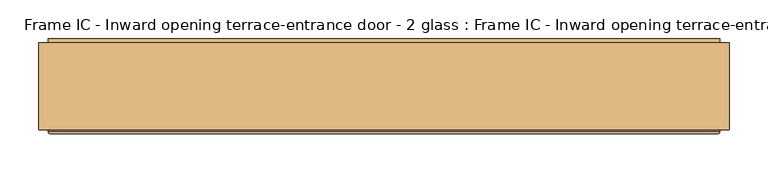
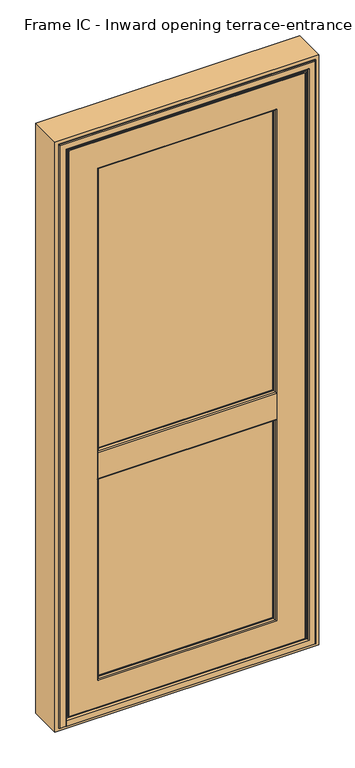
"""IFC4 building model written with IfcOpenShell, lengths in millimetres: door geometry, Frame IC - Inward opening terrace-entrance door - 2 glass : Frame IC - Inward opening terrace-entrance door - 2 glass."""

from ifc_helpers import new_model, si_unit, point, frame, frame_2d, origin, place, context, project, spatial, polyline, circle_curve, ellipse_curve, trimmed, segment, composite_curve, outline, extrude, source, transform, mapped, element, save
from ifc_brep_helpers import plane_surface, cylinder_surface, revolved_surface, advanced_brep


def frame_ic_inward_opening_terrace_entrance_door_2_glass_frame_56c10728(model_context):
    return source(origin(), model_context, "Body", "SolidModel", [
        extrude(outline(composite_curve([segment(trimmed(circle_curve(frame_2d((78.2055023, 946.7548663)), 3.0), [point((75.2055023, 946.7548663))], [point((77.5817672, 949.6893091))], False, "CARTESIAN"), True, "CONTINUOUS"), segment(polyline([(77.5817672, 949.6893091), (85.9975906, 951.4781476)]), True, "CONTINUOUS"), segment(trimmed(circle_curve(frame_2d((86.2055023, 950.5)), 1.0), [point((85.9975906, 951.4781476))], [point((87.2055023, 950.5))], False, "CARTESIAN"), True, "CONTINUOUS"), segment(polyline([(87.2055023, 950.5), (87.2055023, 951.5), (90.2055023, 951.5), (90.2055023, 933.1316463), (138.2055023, 927.2379874), (138.2055023, 951.5), (139.5503376, 951.5), (149.7055023, 948.3952546), (149.7055023, 941.4641016)]), True, "CONTINUOUS"), segment(trimmed(circle_curve(frame_2d((148.2055023, 941.4641016)), 1.5), [point((149.7055023, 941.4641016))], [point((148.9555023, 940.1650635))], False, "CARTESIAN"), True, "CONTINUOUS"), segment(trimmed(circle_curve(frame_2d((150.2055023, 938.0)), 2.5), [point((148.9555023, 940.1650635))], [point((148.9555023, 935.8349365))], True, "CARTESIAN"), True, "CONTINUOUS"), segment(trimmed(circle_curve(frame_2d((148.2055023, 934.5358984)), 1.5), [point((148.9555023, 935.8349365))], [point((149.7055023, 934.5358984))], False, "CARTESIAN"), True, "CONTINUOUS"), segment(polyline([(149.7055023, 934.5358984), (149.7055023, 865.4641016)]), True, "CONTINUOUS"), segment(trimmed(circle_curve(frame_2d((148.2055023, 865.4641016)), 1.5), [point((149.7055023, 865.4641016))], [point((148.9555023, 864.1650635))], False, "CARTESIAN"), True, "CONTINUOUS"), segment(trimmed(circle_curve(frame_2d((150.2055023, 862.0)), 2.5), [point((148.9555023, 864.1650635))], [point((148.9555023, 859.8349365))], True, "CARTESIAN"), True, "CONTINUOUS"), segment(trimmed(circle_curve(frame_2d((148.2055023, 858.5358984)), 1.5), [point((148.9555023, 859.8349365))], [point((149.7055023, 858.5358984))], False, "CARTESIAN"), True, "CONTINUOUS"), segment(polyline([(149.7055023, 858.5358984), (149.7055023, 851.6047454), (139.5503376, 848.5), (138.2055023, 848.5), (138.2055023, 872.7620126), (90.2055023, 866.8683537), (90.2055023, 848.5), (87.2055023, 848.5), (87.2055023, 849.5)]), True, "CONTINUOUS"), segment(trimmed(circle_curve(frame_2d((86.2055023, 849.5)), 1.0), [point((87.2055023, 849.5))], [point((85.9975906, 848.5218524))], False, "CARTESIAN"), True, "CONTINUOUS"), segment(polyline([(85.9975906, 848.5218524), (77.5817672, 850.3106909)]), True, "CONTINUOUS"), segment(trimmed(circle_curve(frame_2d((78.2055023, 853.2451337)), 3.0), [point((77.5817672, 850.3106909))], [point((75.2055023, 853.2451337))], False, "CARTESIAN"), True, "CONTINUOUS"), segment(polyline([(75.2055023, 853.2451337), (75.2055023, 946.7548663)]), True, "CONTINUOUS")], self_intersect=False)), frame((-301.5, 0.0, 0.0), z_axis=(1.0, 0.0, 0.0), x_axis=(0.0, 1.0, 0.0)), (0.0, 0.0, 1.0), 603.0),
        advanced_brep(
        [(296.9926597, 139.5932909, 1952.9926597), (300.2949184, 150.3944925, 1956.2949184), (300.2949184, 150.3944925, 137.7050816), (296.9926597, 139.5932909, 141.0073403), (296.9926597, 138.3944925, 141.0073403), (296.9926597, 138.3944925, 1952.9926597), (315.4090274, 90.4055023, 1971.4090274), (321.3013344, 138.3944925, 1977.3013344), (321.3013344, 138.3944925, 116.6986656), (315.4090274, 90.4055023, 122.5909726), (-296.9926597, 139.5932909, 141.0073403), (-300.2949184, 150.3944925, 137.7050816), (-300.2949184, 150.3944925, 1956.2949184), (-296.9926597, 139.5932909, 1952.9926597), (-296.9926597, 138.3944925, 1952.9926597), (-296.9926597, 138.3944925, 141.0073403), (-315.4090274, 90.4055023, 122.5909726), (-321.3013344, 138.3944925, 116.6986656), (-321.3013344, 138.3944925, 1977.3013344), (-315.4090274, 90.4055023, 1971.4090274), (297.0406737, 87.2055023, 1953.0406737), (297.0406737, 90.4055023, 1953.0406737), (297.0406737, 90.4055023, 140.9593263), (297.0406737, 87.2055023, 140.9593263), (298.8106909, 77.7817672, 1954.8106909), (297.0625261, 85.9975906, 1953.0625261), (297.0625261, 85.9975906, 140.9374739), (298.8106909, 77.7817672, 139.1893091), (301.7451337, 75.4055023, 136.2548663), (301.7451337, 75.4055023, 1957.7451337), (-297.0406737, 87.2055023, 140.9593263), (-297.0406737, 90.4055023, 140.9593263), (-297.0406737, 90.4055023, 1953.0406737), (-297.0406737, 87.2055023, 1953.0406737), (-298.8106909, 77.7817672, 139.1893091), (-297.0625261, 85.9975906, 140.9374739), (-297.0625261, 85.9975906, 1953.0625261), (-298.8106909, 77.7817672, 1954.8106909), (-301.7451337, 75.4055023, 1957.7451337), (-301.7451337, 75.4055023, 136.2548663), (-399.9121488, 76.8192542, 38.0878512), (-398.0, 75.4055023, 40.0), (-398.0, 75.4055023, 2054.0), (-399.9121488, 76.8192542, 2055.9121488), (-399.5001156, 79.7926158, 2055.5001156), (-399.5001156, 79.7926158, 38.4998844), (-375.3208306, 138.4055023, 2031.3208306), (-375.3208306, 138.4055023, 62.6695909), (-391.0, 120.3834811, 47.0), (-391.0, 120.3834811, 2047.0), (398.0, 75.4055023, 2054.0), (399.9121488, 76.8192542, 2055.9121488), (399.5001156, 79.7926158, 2055.5001156), (391.0, 120.3834811, 2047.0), (375.3208306, 138.4055023, 2031.3208306), (-375.3208306, 150.3944925, 2031.3208306), (375.3208306, 150.3944925, 2031.3208306), (398.0, 75.4055023, 40.0), (399.9121488, 76.8192542, 38.0878512), (399.5001156, 79.7926158, 38.4998844), (375.3208306, 138.4055023, 62.6695909), (391.0, 120.3834811, 47.0), (-404.5001156, 81.2102522, 33.4998844), (-404.5001156, 79.7926158, 33.4998844), (-404.5001156, 79.7926158, 2060.5001156), (-404.5001156, 81.2102522, 2060.5001156), (-399.203249, 81.2102522, 38.796751), (-399.203249, 81.2102522, 2055.203249), (404.5001156, 79.7926158, 2060.5001156), (404.5001156, 81.2102522, 2060.5001156), (399.203249, 81.2102522, 2055.203249), (404.5001156, 79.7926158, 33.4998844), (404.5001156, 81.2102522, 33.4998844), (399.203249, 81.2102522, 38.796751), (-298.0406737, 87.2055023, 139.9593263), (298.0406737, 87.2055023, 139.9593263), (298.0406737, 87.2055023, 1954.0406737), (-298.0406737, 87.2055023, 1954.0406737), (-375.3208306, 123.9638323, 50.1149077), (375.3208306, 123.9638323, 50.1149077), (-307.2579784, 150.3944925, 130.7420216), (-307.2579784, 150.3944925, 1963.2579784), (307.2579784, 150.3944925, 1963.2579784), (307.2579784, 150.3944925, 130.7420216), (375.3208306, 160.3944925, 60.4377015), (375.3208306, 159.9680695, 61.2568531), (-375.3208306, 159.9680695, 61.2568531), (-375.3208306, 160.3944925, 60.4377015), (375.3208306, 160.3944925, 55.002476), (-375.3208306, 160.3944925, 55.002476), (375.3208306, 162.1944925, 56.9924509), (-375.3208306, 162.1944925, 56.9924509), (375.3208306, 162.1944925, 60.4377015), (-375.3208306, 162.1944925, 60.4377015), (375.3208306, 161.0005083, 62.731326), (-375.3208306, 161.0005083, 62.731326), (375.3208306, 152.6209154, 69.1983724), (-375.3208306, 152.6209154, 69.1983724), (375.3208306, 152.1944925, 70.017524), (-375.3208306, 152.1944925, 70.017524), (375.3208306, 152.1944925, 83.002476), (-375.3208306, 152.1944925, 83.002476), (375.3208306, 150.6944925, 84.502476), (-375.3208306, 150.6944925, 84.502476), (-375.3208306, 150.3944925, 84.502476), (375.3208306, 150.3944925, 84.502476), (375.3208306, 152.5151289, 50.1149077), (-375.3208306, 152.5151289, 50.1149077), (375.3208306, 152.5151289, 46.1106378), (-375.3208306, 152.5151289, 46.1106378), (375.3208306, 153.56673, 46.1106378), (-375.3208306, 153.56673, 46.1106378), (375.3208306, 153.56673, 50.1149077), (-375.3208306, 153.56673, 50.1149077), (375.3208306, 155.7944925, 50.1149077), (-375.3208306, 155.7944925, 50.1149077), (375.3208306, 156.7944925, 51.1149077), (-375.3208306, 156.7944925, 51.1149077), (375.3208306, 156.7944925, 63.7060974), (-375.3208306, 156.7944925, 63.7060974), (312.7057372, 149.6555023, 1968.7057372), (313.8233689, 150.3944925, 1969.8233689), (313.8233689, 150.3944925, 124.1766311), (312.7057372, 149.6555023, 125.2942628), (308.3756102, 149.6555023, 129.6243898), (308.3756102, 149.6555023, 1964.3756102), (-313.8233689, 150.3944925, 124.1766311), (-312.7057372, 149.6555023, 125.2942628), (-308.3756102, 149.6555023, 129.6243898), (-313.8233689, 150.3944925, 1969.8233689), (-312.7057372, 149.6555023, 1968.7057372), (-308.3756102, 149.6555023, 1964.3756102)],
        [
            (0, 1),
            (1, 2),
            (2, 3),
            (3, 0),
            (3, 4),
            (4, 5),
            (5, 0),
            (6, 7),
            (7, 8),
            (8, 9),
            (9, 6),
            (10, 11),
            (11, 12),
            (12, 13),
            (13, 10),
            (13, 14),
            (14, 15),
            (15, 10),
            (16, 17),
            (17, 18),
            (18, 19),
            (19, 16),
            (0, 13),
            (12, 1),
            (5, 14),
            (6, 19),
            (18, 7),
            (20, 21),
            (21, 22),
            (22, 23),
            (23, 20),
            (24, 25),
            (25, 26),
            (26, 27),
            (27, 24),
            (27, 28, ellipse_curve(frame((301.7451337, 78.4055023, 136.2548663), z_axis=(0.7071067811865475, 0.0, 0.7071067811865475), x_axis=(-0.7071067811865474, 0.0, 0.7071067811865476)), 4.2426407, 3.0)),
            (28, 29),
            (29, 24, ellipse_curve(frame((301.7451337, 78.4055023, 1957.7451337), z_axis=(0.7071067811865475, 0.0, -0.7071067811865475), x_axis=(0.7071067811865474, 0.0, 0.7071067811865476)), 4.2426407, 3.0)),
            (30, 31),
            (31, 32),
            (32, 33),
            (33, 30),
            (34, 35),
            (35, 36),
            (36, 37),
            (37, 34),
            (37, 38, ellipse_curve(frame((-301.7451337, 78.4055023, 1957.7451337), z_axis=(-0.7071067811865475, 0.0, -0.7071067811865475), x_axis=(0.7071067811865474, 0.0, -0.7071067811865476)), 4.2426407, 3.0)),
            (38, 39),
            (39, 34, ellipse_curve(frame((-301.7451337, 78.4055023, 136.2548663), z_axis=(-0.7071067811865475, 0.0, 0.7071067811865475), x_axis=(-0.7071067811865474, 0.0, -0.7071067811865476)), 4.2426407, 3.0)),
            (20, 33),
            (32, 21),
            (24, 37),
            (36, 25),
            (29, 38),
            (40, 41, ellipse_curve(frame((-398.0, 77.4055023, 40.0), z_axis=(-0.7071067811865475, 0.0, 0.7071067811865475), x_axis=(-0.7071067811865474, 0.0, -0.7071067811865476)), 2.8284271, 2.0)),
            (41, 42),
            (42, 43, ellipse_curve(frame((-398.0, 77.4055023, 2054.0), z_axis=(-0.7071067811865475, 0.0, -0.7071067811865475), x_axis=(0.7071067811865474, 0.0, -0.7071067811865476)), 2.8284271, 2.0)),
            (43, 40),
            (43, 44),
            (44, 45),
            (45, 40),
            (46, 47),
            (47, 48),
            (48, 49),
            (49, 46),
            (42, 50),
            (50, 51, ellipse_curve(frame((398.0, 77.4055023, 2054.0), z_axis=(-0.7071067811865475, 0.0, 0.7071067811865475), x_axis=(-0.7071067811865476, 0.0, -0.7071067811865474)), 2.8284271, 2.0)),
            (51, 43),
            (51, 52),
            (52, 44),
            (49, 53),
            (53, 54),
            (54, 46),
            (55, 46),
            (54, 56),
            (56, 55),
            (50, 57),
            (57, 58, ellipse_curve(frame((398.0, 77.4055023, 40.0), z_axis=(0.7071067811865475, 0.0, 0.7071067811865475), x_axis=(-0.7071067811865474, 0.0, 0.7071067811865476)), 2.8284271, 2.0)),
            (58, 51),
            (58, 59),
            (59, 52),
            (60, 54),
            (53, 61),
            (61, 60),
            (62, 63),
            (63, 64),
            (64, 65),
            (65, 62),
            (48, 66),
            (66, 67),
            (67, 49),
            (64, 68),
            (68, 69),
            (69, 65),
            (67, 70),
            (70, 53),
            (68, 71),
            (71, 72),
            (72, 69),
            (70, 73),
            (73, 61),
            (9, 16),
            (31, 22),
            (30, 23),
            (74, 75),
            (75, 76),
            (76, 77),
            (77, 74),
            (26, 35),
            (34, 27),
            (39, 28),
            (41, 57),
            (40, 58),
            (45, 59),
            (63, 71),
            (62, 72),
            (66, 73),
            (48, 61),
            (47, 78),
            (78, 79),
            (79, 60),
            (80, 81),
            (81, 82),
            (82, 83),
            (83, 80),
            (11, 2),
            (10, 3),
            (15, 4),
            (17, 8),
            (25, 76, ellipse_curve(frame((298.0406737, 86.2055023, 1954.0406737), z_axis=(0.7071067811865475, 0.0, -0.7071067811865475), x_axis=(0.7071067811865474, 0.0, 0.7071067811865476)), 1.4142136, 1.0)),
            (75, 26, ellipse_curve(frame((298.0406737, 86.2055023, 139.9593263), z_axis=(0.7071067811865475, 0.0, 0.7071067811865475), x_axis=(-0.7071067811865474, 0.0, 0.7071067811865476)), 1.4142136, 1.0)),
            (74, 35, ellipse_curve(frame((-298.0406737, 86.2055023, 139.9593263), z_axis=(0.7071067811865475, 0.0, -0.7071067811865475), x_axis=(0.7071067811865476, 0.0, 0.7071067811865474)), 1.4142136, 1.0)),
            (77, 36, ellipse_curve(frame((-298.0406737, 86.2055023, 1954.0406737), z_axis=(-0.7071067811865475, 0.0, -0.7071067811865475), x_axis=(0.7071067811865474, 0.0, -0.7071067811865476)), 1.4142136, 1.0)),
            (84, 85, circle_curve(frame((375.3208306, 159.3944925, 60.4377015), z_axis=(1.0, 0.0, 0.0), x_axis=(0.0, 1.0, 0.0)), 1.0)),
            (85, 86),
            (86, 87, circle_curve(frame((-375.3208306, 159.3944925, 60.4377015), z_axis=(-1.0, 0.0, 0.0), x_axis=(0.0, 1.0, 0.0)), 1.0)),
            (87, 84),
            (88, 84),
            (87, 89),
            (89, 88),
            (90, 88, circle_curve(frame((375.3208306, 162.3944925, 55.002476), z_axis=(-1.0, 0.0, 0.0), x_axis=(0.0, 1.0, 0.0)), 2.0)),
            (89, 91, circle_curve(frame((-375.3208306, 162.3944925, 55.002476), z_axis=(1.0, 0.0, 0.0), x_axis=(0.0, 1.0, 0.0)), 2.0)),
            (91, 90),
            (92, 90),
            (91, 93),
            (93, 92),
            (94, 92, circle_curve(frame((375.3208306, 159.3944925, 60.4377015), z_axis=(-1.0, 0.0, 0.0), x_axis=(0.0, 1.0, 0.0)), 2.8)),
            (93, 95, circle_curve(frame((-375.3208306, 159.3944925, 60.4377015), z_axis=(1.0, 0.0, 0.0), x_axis=(0.0, 1.0, 0.0)), 2.8)),
            (95, 94),
            (96, 94),
            (95, 97),
            (97, 96),
            (98, 96, circle_curve(frame((375.3208306, 153.1944925, 70.017524), z_axis=(1.0, 0.0, 0.0), x_axis=(0.0, 1.0, 0.0)), 1.0)),
            (97, 99, circle_curve(frame((-375.3208306, 153.1944925, 70.017524), z_axis=(-1.0, 0.0, 0.0), x_axis=(0.0, 1.0, 0.0)), 1.0)),
            (99, 98),
            (100, 98),
            (99, 101),
            (101, 100),
            (102, 100, circle_curve(frame((375.3208306, 150.6944925, 83.002476), z_axis=(-1.0, 0.0, 0.0), x_axis=(0.0, 1.0, 0.0)), 1.5)),
            (101, 103, circle_curve(frame((-375.3208306, 150.6944925, 83.002476), z_axis=(1.0, 0.0, 0.0), x_axis=(0.0, 1.0, 0.0)), 1.5)),
            (103, 102),
            (103, 104),
            (104, 105),
            (105, 102),
            (106, 79),
            (78, 107),
            (107, 106),
            (108, 106),
            (107, 109),
            (109, 108),
            (110, 108),
            (109, 111),
            (111, 110),
            (112, 110),
            (111, 113),
            (113, 112),
            (114, 112),
            (113, 115),
            (115, 114),
            (116, 114, circle_curve(frame((375.3208306, 155.7944925, 51.1149077), z_axis=(-1.0, 0.0, 0.0), x_axis=(0.0, 1.0, 0.0)), 1.0)),
            (115, 117, circle_curve(frame((-375.3208306, 155.7944925, 51.1149077), z_axis=(1.0, 0.0, 0.0), x_axis=(0.0, 1.0, 0.0)), 1.0)),
            (117, 116),
            (118, 116),
            (117, 119),
            (119, 118),
            (85, 118),
            (119, 86),
            (105, 56),
            (55, 104),
            (120, 121, ellipse_curve(frame((314.0047753, 148.9055023, 1970.0047753), z_axis=(0.7071067811865475, 0.0, -0.7071067811865475), x_axis=(0.7071067811865474, 0.0, 0.7071067811865476)), 2.1213203, 1.5)),
            (121, 122),
            (122, 123, ellipse_curve(frame((314.0047753, 148.9055023, 123.9952247), z_axis=(0.7071067811865475, 0.0, 0.7071067811865475), x_axis=(-0.7071067811865474, 0.0, 0.7071067811865476)), 2.1213203, 1.5)),
            (123, 120),
            (123, 124, ellipse_curve(frame((310.5406737, 150.9055023, 127.4593263), z_axis=(-0.7071067811865475, 0.0, -0.7071067811865475), x_axis=(0.7071067811865474, 0.0, -0.7071067811865476)), 3.5355339, 2.5)),
            (124, 125),
            (125, 120, ellipse_curve(frame((310.5406737, 150.9055023, 1966.5406737), z_axis=(-0.7071067811865475, 0.0, 0.7071067811865475), x_axis=(-0.7071067811865474, 0.0, -0.7071067811865476)), 3.5355339, 2.5)),
            (82, 125, ellipse_curve(frame((307.0765721, 148.9055023, 1963.0765721), z_axis=(0.7071067811865475, 0.0, -0.7071067811865475), x_axis=(0.7071067811865474, 0.0, 0.7071067811865476)), 2.1213203, 1.5)),
            (124, 83, ellipse_curve(frame((307.0765721, 148.9055023, 130.9234279), z_axis=(0.7071067811865475, 0.0, 0.7071067811865475), x_axis=(-0.7071067811865474, 0.0, 0.7071067811865476)), 2.1213203, 1.5)),
            (122, 126),
            (126, 127, ellipse_curve(frame((-314.0047753, 148.9055023, 123.9952247), z_axis=(0.7071067811865475, 0.0, -0.7071067811865475), x_axis=(0.7071067811865476, 0.0, 0.7071067811865474)), 2.1213203, 1.5)),
            (127, 123),
            (127, 128, ellipse_curve(frame((-310.5406737, 150.9055023, 127.4593263), z_axis=(-0.7071067811865475, 0.0, 0.7071067811865475), x_axis=(-0.7071067811865476, 0.0, -0.7071067811865474)), 3.5355339, 2.5)),
            (128, 124),
            (128, 80, ellipse_curve(frame((-307.0765721, 148.9055023, 130.9234279), z_axis=(0.7071067811865475, 0.0, -0.7071067811865475), x_axis=(0.7071067811865476, 0.0, 0.7071067811865474)), 2.1213203, 1.5)),
            (126, 129),
            (129, 130, ellipse_curve(frame((-314.0047753, 148.9055023, 1970.0047753), z_axis=(-0.7071067811865475, 0.0, -0.7071067811865475), x_axis=(0.7071067811865474, 0.0, -0.7071067811865476)), 2.1213203, 1.5)),
            (130, 127),
            (130, 131, ellipse_curve(frame((-310.5406737, 150.9055023, 1966.5406737), z_axis=(0.7071067811865475, 0.0, 0.7071067811865475), x_axis=(-0.7071067811865474, 0.0, 0.7071067811865476)), 3.5355339, 2.5)),
            (131, 128),
            (131, 81, ellipse_curve(frame((-307.0765721, 148.9055023, 1963.0765721), z_axis=(-0.7071067811865475, 0.0, -0.7071067811865475), x_axis=(0.7071067811865474, 0.0, -0.7071067811865476)), 2.1213203, 1.5)),
            (121, 129),
            (120, 130),
            (125, 131),
        ],
        [
            plane_surface(frame((300.2949184, 150.3944925, 1956.2949184), z_axis=(-0.9563047559629781, 0.2923717047229243, 0.0), x_axis=(0.0, 0.0, -1.0))),
            plane_surface(frame((296.9926597, 139.5932909, 1952.9926597), z_axis=(-1.0, 0.0, 0.0), x_axis=(0.0, 0.0, -1.0))),
            plane_surface(frame((321.3013344, 138.3944925, 1977.3013344), z_axis=(-0.9925461516413226, 0.12186934340514295, 0.0), x_axis=(0.0, 0.0, -1.0))),
            plane_surface(frame((-300.2949184, 150.3944925, 137.7050816), z_axis=(0.9563047559629781, 0.2923717047229243, 0.0), x_axis=(0.0, 0.0, 1.0))),
            plane_surface(frame((-296.9926597, 139.5932909, 141.0073403), z_axis=(1.0, 0.0, 0.0), x_axis=(0.0, 0.0, 1.0))),
            plane_surface(frame((-321.3013344, 138.3944925, 116.6986656), z_axis=(0.9925461516413226, 0.12186934340514295, 0.0), x_axis=(0.0, 0.0, 1.0))),
            plane_surface(frame((-300.2949184, 150.3944925, 1956.2949184), z_axis=(0.0, 0.2923717047229243, -0.9563047559629781), x_axis=(1.0, 0.0, 0.0))),
            plane_surface(frame((-296.9926597, 139.5932909, 1952.9926597), z_axis=(0.0, 0.0, -1.0), x_axis=(1.0, 0.0, 0.0))),
            plane_surface(frame((-321.3013344, 138.3944925, 1977.3013344), z_axis=(0.0, 0.12186934340514295, -0.9925461516413226), x_axis=(1.0, 0.0, 0.0))),
            plane_surface(frame((297.0406737, 90.4055023, 1953.0406737), z_axis=(-1.0, 0.0, 0.0), x_axis=(0.0, 0.0, -1.0))),
            plane_surface(frame((297.0625261, 85.9975906, 1953.0625261), z_axis=(-0.9781030866126861, -0.20812100316579396, 0.0), x_axis=(0.0, 0.0, -1.0))),
            cylinder_surface(frame((301.7451337, 78.4055023, 2047.0), z_axis=(0.0, 0.0, 1.0), x_axis=(0.0, -1.0, 0.0)), 3.0),
            plane_surface(frame((-297.0406737, 90.4055023, 140.9593263), z_axis=(1.0, 0.0, 0.0), x_axis=(0.0, 0.0, 1.0))),
            plane_surface(frame((-297.0625261, 85.9975906, 140.9374739), z_axis=(0.9781030866126861, -0.20812100316579396, 0.0), x_axis=(0.0, 0.0, 1.0))),
            cylinder_surface(frame((-301.7451337, 78.4055023, 47.0), z_axis=(0.0, 0.0, -1.0), x_axis=(0.0, -1.0, 0.0)), 3.0),
            plane_surface(frame((-297.0406737, 90.4055023, 1953.0406737), z_axis=(0.0, 0.0, -1.0), x_axis=(1.0, 0.0, 0.0))),
            plane_surface(frame((-297.0625261, 85.9975906, 1953.0625261), z_axis=(0.0, -0.20812100316579396, -0.9781030866126861), x_axis=(1.0, 0.0, 0.0))),
            cylinder_surface(frame((-391.0, 78.4055023, 1957.7451337), z_axis=(-1.0, 0.0, 0.0), x_axis=(0.0, -1.0, 0.0)), 3.0),
            cylinder_surface(frame((-398.0, 77.4055023, 47.0), z_axis=(0.0, 0.0, -1.0), x_axis=(0.0, -1.0, 0.0)), 2.0),
            plane_surface(frame((-399.9121488, 76.8192542, 38.0878512), z_axis=(-0.9905346082141253, 0.13726321404545822, 0.0), x_axis=(0.0, 0.0, 1.0))),
            plane_surface(frame((-391.0, 120.3834811, 47.0), z_axis=(-0.7544428510124654, 0.6563657399317723, 0.0), x_axis=(0.0, 0.0, 1.0))),
            cylinder_surface(frame((-391.0, 77.4055023, 2054.0), z_axis=(-1.0, 0.0, 0.0), x_axis=(0.0, -1.0, 0.0)), 2.0),
            plane_surface(frame((-399.9121488, 76.8192542, 2055.9121488), z_axis=(0.0, 0.13726321404545822, 0.9905346082141253), x_axis=(1.0, 0.0, 0.0))),
            plane_surface(frame((-391.0, 120.3834811, 2047.0), z_axis=(0.0, 0.6563657399317723, 0.7544428510124654), x_axis=(1.0, 0.0, 0.0))),
            plane_surface(frame((-375.3208306, 138.4055023, 2031.3208306), z_axis=(0.0, 0.0, 1.0), x_axis=(1.0, 0.0, 0.0))),
            cylinder_surface(frame((398.0, 77.4055023, 2047.0), z_axis=(0.0, 0.0, 1.0), x_axis=(0.0, -1.0, 0.0)), 2.0),
            plane_surface(frame((399.9121488, 76.8192542, 2055.9121488), z_axis=(0.9905346082141253, 0.13726321404545822, 0.0), x_axis=(0.0, 0.0, -1.0))),
            plane_surface(frame((391.0, 120.3834811, 2047.0), z_axis=(0.7544428510124654, 0.6563657399317723, 0.0), x_axis=(0.0, 0.0, -1.0))),
            plane_surface(frame((-404.5001156, 79.7926158, 33.4998844), z_axis=(-1.0, 0.0, 0.0), x_axis=(0.0, 0.0, 1.0))),
            plane_surface(frame((-399.203249, 81.2102522, 38.796751), z_axis=(-0.9787695724707861, 0.20496371387480936, 0.0), x_axis=(0.0, 0.0, 1.0))),
            plane_surface(frame((-404.5001156, 79.7926158, 2060.5001156), z_axis=(0.0, 0.0, 1.0), x_axis=(1.0, 0.0, 0.0))),
            plane_surface(frame((-399.203249, 81.2102522, 2055.203249), z_axis=(0.0, 0.20496371387480936, 0.9787695724707861), x_axis=(1.0, 0.0, 0.0))),
            plane_surface(frame((404.5001156, 79.7926158, 2060.5001156), z_axis=(1.0, 0.0, 0.0), x_axis=(0.0, 0.0, -1.0))),
            plane_surface(frame((399.203249, 81.2102522, 2055.203249), z_axis=(0.9787695724707861, 0.20496371387480936, 0.0), x_axis=(0.0, 0.0, -1.0))),
            plane_surface(frame((315.4090274, 90.4055023, 122.5909726), z_axis=(0.0, 1.0, 0.0), x_axis=(-1.0, 0.0, 0.0))),
            plane_surface(frame((297.0406737, 90.4055023, 140.9593263), z_axis=(0.0, 0.0, 1.0), x_axis=(-1.0, 0.0, 0.0))),
            plane_surface(frame((297.0406737, 87.2055023, 140.9593263), z_axis=(0.0, -1.0, 0.0), x_axis=(-1.0, 0.0, 0.0))),
            plane_surface(frame((297.0625261, 85.9975906, 140.9374739), z_axis=(0.0, -0.20812100316579396, 0.9781030866126861), x_axis=(-1.0, 0.0, 0.0))),
            cylinder_surface(frame((391.0, 78.4055023, 136.2548663), z_axis=(1.0, 0.0, 0.0), x_axis=(0.0, -1.0, 0.0)), 3.0),
            plane_surface(frame((301.7451337, 75.4055023, 136.2548663), z_axis=(0.0, -1.0, 0.0), x_axis=(-1.0, 0.0, 0.0))),
            cylinder_surface(frame((391.0, 77.4055023, 40.0), z_axis=(1.0, 0.0, 0.0), x_axis=(0.0, -1.0, 0.0)), 2.0),
            plane_surface(frame((399.9121488, 76.8192542, 38.0878512), z_axis=(0.0, 0.13726321404545822, -0.9905346082141253), x_axis=(-1.0, 0.0, 0.0))),
            plane_surface(frame((399.5001156, 79.7926158, 38.4998844), z_axis=(0.0, -1.0, 0.0), x_axis=(-1.0, 0.0, 0.0))),
            plane_surface(frame((404.5001156, 79.7926158, 33.4998844), z_axis=(0.0, 0.0, -1.0), x_axis=(-1.0, 0.0, 0.0))),
            plane_surface(frame((404.5001156, 81.2102522, 33.4998844), z_axis=(0.0, 1.0, 0.0), x_axis=(-1.0, 0.0, 0.0))),
            plane_surface(frame((399.203249, 81.2102522, 38.796751), z_axis=(0.0, 0.20496371387480936, -0.9787695724707861), x_axis=(-1.0, 0.0, 0.0))),
            plane_surface(frame((391.0, 120.3834811, 47.0), z_axis=(0.0, 0.6563657399317723, -0.7544428510124654), x_axis=(-1.0, 0.0, 0.0))),
            plane_surface(frame((307.2579784, 150.3944925, 130.7420216), z_axis=(0.0, 1.0, 0.0), x_axis=(-1.0, 0.0, 0.0))),
            plane_surface(frame((300.2949184, 150.3944925, 137.7050816), z_axis=(0.0, 0.2923717047229243, 0.9563047559629781), x_axis=(-1.0, 0.0, 0.0))),
            plane_surface(frame((296.9926597, 139.5932909, 141.0073403), z_axis=(0.0, 0.0, 1.0), x_axis=(-1.0, 0.0, 0.0))),
            plane_surface(frame((296.9926597, 138.3944925, 141.0073403), z_axis=(0.0, -1.0, 0.0), x_axis=(-1.0, 0.0, 0.0))),
            plane_surface(frame((321.3013344, 138.3944925, 116.6986656), z_axis=(0.0, 0.12186934340514295, 0.9925461516413226), x_axis=(-1.0, 0.0, 0.0))),
            cylinder_surface(frame((298.0406737, 86.2055023, 2047.0), z_axis=(0.0, 0.0, 1.0), x_axis=(0.0, -1.0, 0.0)), 1.0),
            cylinder_surface(frame((391.0, 86.2055023, 139.9593263), z_axis=(1.0, 0.0, 0.0), x_axis=(0.0, -1.0, 0.0)), 1.0),
            cylinder_surface(frame((-298.0406737, 86.2055023, 47.0), z_axis=(0.0, 0.0, -1.0), x_axis=(0.0, -1.0, 0.0)), 1.0),
            cylinder_surface(frame((-391.0, 86.2055023, 1954.0406737), z_axis=(-1.0, 0.0, 0.0), x_axis=(0.0, -1.0, 0.0)), 1.0),
            revolved_surface(polyline([(-375.3208306, 160.3944925, 60.4377015), (375.3208306, 160.3944925, 60.4377015)]), (-375.3208306, 159.3944925, 60.4377015), (-1.0, 0.0, 0.0)),
            plane_surface(frame((375.3208306, 160.3944925, 60.4377015), z_axis=(0.0, -1.0, 0.0), x_axis=(-1.0, 0.0, 0.0))),
            cylinder_surface(frame((-375.3208306, 162.3944925, 55.002476), z_axis=(1.0, 0.0, 0.0), x_axis=(0.0, 1.0, 0.0)), 2.0),
            plane_surface(frame((375.3208306, 162.1944925, 56.9924509), z_axis=(0.0, 1.0, 0.0), x_axis=(-1.0, 0.0, 0.0))),
            cylinder_surface(frame((-375.3208306, 159.3944925, 60.4377015), z_axis=(1.0, 0.0, 0.0), x_axis=(0.0, 1.0, 0.0)), 2.8),
            plane_surface(frame((375.3208306, 161.0005083, 62.731326), z_axis=(0.0, 0.6109686302761946, 0.7916548066035036), x_axis=(-1.0, 0.0, 0.0))),
            revolved_surface(polyline([(-375.3208306, 154.1944925, 70.017524), (375.3208306, 154.1944925, 70.017524)]), (-375.3208306, 153.1944925, 70.017524), (-1.0, 0.0, 0.0)),
            plane_surface(frame((375.3208306, 152.1944925, 70.017524), z_axis=(0.0, 1.0, 0.0), x_axis=(-1.0, 0.0, 0.0))),
            cylinder_surface(frame((-375.3208306, 150.6944925, 83.002476), z_axis=(1.0, 0.0, 0.0), x_axis=(0.0, 1.0, 0.0)), 1.5),
            plane_surface(frame((375.3208306, 150.6944925, 84.502476), z_axis=(0.0, 0.0, 1.0), x_axis=(-1.0, 0.0, 0.0))),
            plane_surface(frame((375.3208306, 123.9638323, 50.1149077), z_axis=(0.0, 0.0, -1.0), x_axis=(-1.0, 0.0, 0.0))),
            plane_surface(frame((375.3208306, 152.5151289, 50.1149077), z_axis=(0.0, -1.0, 0.0), x_axis=(-1.0, 0.0, 0.0))),
            plane_surface(frame((375.3208306, 152.5151289, 46.1106378), z_axis=(0.0, 0.0, -1.0), x_axis=(-1.0, 0.0, 0.0))),
            plane_surface(frame((375.3208306, 153.56673, 46.1106378), z_axis=(0.0, 1.0, 0.0), x_axis=(-1.0, 0.0, 0.0))),
            plane_surface(frame((375.3208306, 153.56673, 50.1149077), z_axis=(0.0, 0.0, -1.0), x_axis=(-1.0, 0.0, 0.0))),
            cylinder_surface(frame((-375.3208306, 155.7944925, 51.1149077), z_axis=(1.0, 0.0, 0.0), x_axis=(0.0, 1.0, 0.0)), 1.0),
            plane_surface(frame((375.3208306, 156.7944925, 51.1149077), z_axis=(0.0, 1.0, 0.0), x_axis=(-1.0, 0.0, 0.0))),
            plane_surface(frame((375.3208306, 156.7944925, 63.7060974), z_axis=(0.0, -0.6109686302761956, -0.7916548066035027), x_axis=(-1.0, 0.0, 0.0))),
            plane_surface(frame((375.3208306, 160.3944925, 60.4377015), z_axis=(1.0, 0.0, 0.0), x_axis=(0.0, 0.0, -1.0))),
            plane_surface(frame((-375.3208306, 160.3944925, 60.4377015), z_axis=(-1.0, 0.0, 0.0), x_axis=(0.0, 0.0, 1.0))),
            cylinder_surface(frame((314.0047753, 148.9055023, 2047.0), z_axis=(0.0, 0.0, 1.0), x_axis=(0.0, -1.0, 0.0)), 1.5),
            revolved_surface(polyline([(310.5406737, 148.4055023, 124.95932630419497), (310.5406737, 148.4055023, 1969.040673695805)]), (310.5406737, 150.9055023, 2047.0), (0.0, 0.0, -1.0)),
            cylinder_surface(frame((307.0765721, 148.9055023, 2047.0), z_axis=(0.0, 0.0, 1.0), x_axis=(0.0, -1.0, 0.0)), 1.5),
            cylinder_surface(frame((391.0, 148.9055023, 123.9952247), z_axis=(1.0, 0.0, 0.0), x_axis=(0.0, -1.0, 0.0)), 1.5),
            revolved_surface(polyline([(-313.040673695805, 148.4055023, 127.4593263), (313.0406736958049, 148.4055023, 127.4593263)]), (391.0, 150.9055023, 127.4593263), (-1.0, 0.0, 0.0)),
            cylinder_surface(frame((391.0, 148.9055023, 130.9234279), z_axis=(1.0, 0.0, 0.0), x_axis=(0.0, -1.0, 0.0)), 1.5),
            cylinder_surface(frame((-314.0047753, 148.9055023, 47.0), z_axis=(0.0, 0.0, -1.0), x_axis=(0.0, -1.0, 0.0)), 1.5),
            revolved_surface(polyline([(-310.5406737, 148.4055023, 1969.040673695805), (-310.5406737, 148.4055023, 124.95932630419509)]), (-310.5406737, 150.9055023, 47.0), (0.0, 0.0, 1.0)),
            cylinder_surface(frame((-307.0765721, 148.9055023, 47.0), z_axis=(0.0, 0.0, -1.0), x_axis=(0.0, -1.0, 0.0)), 1.5),
            plane_surface(frame((-375.3208306, 150.3944925, 2031.3208306), z_axis=(0.0, 1.0, 0.0), x_axis=(1.0, 0.0, 0.0))),
            cylinder_surface(frame((-391.0, 148.9055023, 1970.0047753), z_axis=(-1.0, 0.0, 0.0), x_axis=(0.0, -1.0, 0.0)), 1.5),
            revolved_surface(polyline([(313.040673695805, 148.4055023, 1966.5406737), (-313.0406736958049, 148.4055023, 1966.5406737)]), (-391.0, 150.9055023, 1966.5406737), (1.0, 0.0, 0.0)),
            cylinder_surface(frame((-391.0, 148.9055023, 1963.0765721), z_axis=(-1.0, 0.0, 0.0), x_axis=(0.0, -1.0, 0.0)), 1.5),
        ],
        [
            (0, [[1, 2, 3, 4]]),
            (1, [[-4, 5, 6, 7]]),
            (2, [[8, 9, 10, 11]]),
            (3, [[12, 13, 14, 15]]),
            (4, [[-15, 16, 17, 18]]),
            (5, [[19, 20, 21, 22]]),
            (6, [[-1, 23, -14, 24]]),
            (7, [[-7, 25, -16, -23]]),
            (8, [[-8, 26, -21, 27]]),
            (9, [[28, 29, 30, 31]]),
            (10, [[32, 33, 34, 35]]),
            (11, [[-35, 36, 37, 38]]),
            (12, [[39, 40, 41, 42]]),
            (13, [[43, 44, 45, 46]]),
            (14, [[-46, 47, 48, 49]]),
            (15, [[-28, 50, -41, 51]]),
            (16, [[-32, 52, -45, 53]]),
            (17, [[-38, 54, -47, -52]]),
            (18, [[55, 56, 57, 58]]),
            (19, [[-58, 59, 60, 61]]),
            (20, [[62, 63, 64, 65]]),
            (21, [[-57, 66, 67, 68]]),
            (22, [[-59, -68, 69, 70]]),
            (23, [[-65, 71, 72, 73]]),
            (24, [[74, -73, 75, 76]]),
            (25, [[-67, 77, 78, 79]]),
            (26, [[-69, -79, 80, 81]]),
            (27, [[82, -72, 83, 84]]),
            (28, [[85, 86, 87, 88]]),
            (29, [[-64, 89, 90, 91]]),
            (30, [[-87, 92, 93, 94]]),
            (31, [[-71, -91, 95, 96]]),
            (32, [[-93, 97, 98, 99]]),
            (33, [[-83, -96, 100, 101]]),
            (34, [[-11, 102, -22, -26], [-29, -51, -40, 103]]),
            (35, [[-30, -103, -39, 104]]),
            (36, [[105, 106, 107, 108], [-31, -104, -42, -50]]),
            (37, [[-34, 109, -43, 110]]),
            (38, [[-36, -110, -49, 111]]),
            (39, [[-56, 112, -77, -66], [-37, -111, -48, -54]]),
            (40, [[-55, 113, -78, -112]]),
            (41, [[-61, 114, -80, -113]]),
            (42, [[-86, 115, -97, -92], [-60, -70, -81, -114]]),
            (43, [[-85, 116, -98, -115]]),
            (44, [[-88, -94, -99, -116], [-90, 117, -100, -95]]),
            (45, [[-89, 118, -101, -117]]),
            (46, [[-63, 119, 120, 121, -84, -118]]),
            (47, [[122, 123, 124, 125], [-2, -24, -13, 126]]),
            (48, [[-3, -126, -12, 127]]),
            (49, [[-5, -127, -18, 128]]),
            (50, [[-9, -27, -20, 129], [-6, -128, -17, -25]]),
            (51, [[-10, -129, -19, -102]]),
            (52, [[-33, 130, -106, 131]]),
            (53, [[-105, 132, -109, -131]]),
            (54, [[-44, -132, -108, 133]]),
            (55, [[-53, -133, -107, -130]]),
            (56, [[134, 135, 136, 137]]),
            (57, [[138, -137, 139, 140]]),
            (58, [[141, -140, 142, 143]]),
            (59, [[144, -143, 145, 146]]),
            (60, [[147, -146, 148, 149]]),
            (61, [[150, -149, 151, 152]]),
            (62, [[153, -152, 154, 155]]),
            (63, [[156, -155, 157, 158]]),
            (64, [[159, -158, 160, 161]]),
            (65, [[-161, 162, 163, 164]]),
            (66, [[165, -120, 166, 167]]),
            (67, [[168, -167, 169, 170]]),
            (68, [[171, -170, 172, 173]]),
            (69, [[174, -173, 175, 176]]),
            (70, [[177, -176, 178, 179]]),
            (71, [[180, -179, 181, 182]]),
            (72, [[183, -182, 184, 185]]),
            (73, [[186, -185, 187, -135]]),
            (74, [[-134, -138, -141, -144, -147, -150, -153, -156, -159, -164, 188, -75, -82, -121, -165, -168, -171, -174, -177, -180, -183, -186]]),
            (75, [[-187, -184, -181, -178, -175, -172, -169, -166, -119, -62, -74, 189, -162, -160, -157, -154, -151, -148, -145, -142, -139, -136]]),
            (76, [[190, 191, 192, 193]]),
            (77, [[-193, 194, 195, 196]]),
            (78, [[-124, 197, -195, 198]]),
            (79, [[-192, 199, 200, 201]]),
            (80, [[-194, -201, 202, 203]]),
            (81, [[-125, -198, -203, 204]]),
            (82, [[-200, 205, 206, 207]]),
            (83, [[-202, -207, 208, 209]]),
            (84, [[-122, -204, -209, 210]]),
            (85, [[-76, -188, -163, -189], [-191, 211, -205, -199]]),
            (86, [[-190, 212, -206, -211]]),
            (87, [[-196, 213, -208, -212]]),
            (88, [[-123, -210, -213, -197]]),
        ],
    ),
        extrude(outline(polyline([(367.9491592, 90.4055023), (-367.9491592, 90.4055023), (-367.9491592, 138.4055023), (367.9491592, 138.4055023), (367.9491592, 90.4055023)])), frame((0.0, 0.0, 76.0508408), z_axis=(0.0, 0.0, 1.0), x_axis=(1.0, 0.0, 0.0)), (0.0, 0.0, 1.0), 1947.8983184),
        advanced_brep(
        [(432.0, 194.0, 12.0), (432.0, 75.0000005, 12.0), (428.9999995, 72.0, 12.0), (-406.7857488, 72.0, 12.0), (-406.7857488, 79.745519, 12.0), (-407.4133163, 74.634392, 12.0), (-410.3909547, 72.0, 12.0), (-428.9999995, 72.0, 12.0), (-432.0, 75.0000005, 12.0), (-432.0, 194.0, 12.0), (432.0, 194.0, 2088.0), (432.0, 75.0000005, 2088.0), (428.9999995, 72.0, 2084.9999995), (-428.9999995, 72.0, 2084.9999995), (-410.3909547, 72.0, 2066.3909547), (410.3909547, 72.0, 2066.3909547), (410.3909547, 72.0, 31.0), (-406.7857488, 72.0, 31.0), (-406.7857488, 79.745519, 31.4059255), (-401.6568628, 121.5169433, 2057.6568628), (-407.4133163, 74.634392, 2063.4133163), (-401.6568628, 121.5169433, 33.595073), (-432.0, 75.0000005, 2088.0), (-432.0, 194.0, 2088.0), (373.9, 194.0, 2029.9), (-373.9, 194.0, 2029.9), (-373.9, 194.0, 31.0), (373.9, 194.0, 31.0), (371.9, 192.0, 2027.9), (371.9, 192.0, 31.2455691), (-371.9, 192.0, 31.2455691), (-371.9, 154.2109894, 35.8854762), (-381.9999997, 154.2109894, 35.8854762), (-381.9999997, 151.0, 36.2797361), (381.9999997, 151.0, 36.2797361), (381.9999997, 154.2109894, 35.8854762), (371.9, 154.2109894, 35.8854762), (371.9, 154.2109894, 2027.9), (-371.9, 192.0, 2027.9), (407.4133163, 74.634392, 2063.4133163), (407.4133163, 74.634392, 31.1380626), (401.6568628, 121.5169433, 33.595073), (385.5883815, 135.0, 34.3016901), (-385.5883815, 135.0, 34.3016901), (401.6568628, 121.5169433, 2057.6568628), (381.9999997, 138.0110098, 2037.9999997), (381.9999997, 138.0110098, 46.0), (385.5883815, 135.0, 46.0), (381.9999997, 154.2109894, 2037.9999997), (381.9999997, 151.0, 46.0), (-385.5883815, 135.0, 46.0), (-381.9999997, 151.0, 46.0), (-381.9999997, 138.0110098, 46.0), (-381.9999997, 154.2109894, 2037.9999997), (-371.9, 154.2109894, 2027.9), (-381.9999997, 138.0110098, 2037.9999997)],
        [
            (0, 1),
            (1, 2, circle_curve(frame((428.9999995, 75.0000005, 12.0), z_axis=(0.0, 0.0, -1.0), x_axis=(-1.0, 0.0, 0.0)), 3.0000005)),
            (2, 3),
            (3, 4),
            (4, 5),
            (5, 6, circle_curve(frame((-410.3909547, 75.0, 12.0), z_axis=(0.0, 0.0, -1.0), x_axis=(1.0, 0.0, 0.0)), 3.0)),
            (6, 7),
            (7, 8, circle_curve(frame((-428.9999995, 75.0000005, 12.0), z_axis=(0.0, 0.0, -1.0), x_axis=(1.0, 0.0, 0.0)), 3.0000005)),
            (8, 9),
            (9, 0),
            (0, 10),
            (10, 11),
            (11, 1),
            (11, 12, ellipse_curve(frame((428.9999995, 75.0000005, 2084.9999995), z_axis=(0.7071067811865475, 0.0, -0.7071067811865475), x_axis=(-0.7071067811865474, 0.0, -0.7071067811865476)), 4.2426414, 3.0000005)),
            (12, 2),
            (12, 13),
            (13, 7),
            (6, 14),
            (14, 15),
            (15, 16),
            (16, 17),
            (17, 3),
            (17, 18),
            (18, 4),
            (19, 20),
            (20, 5),
            (18, 21),
            (21, 19),
            (20, 14, ellipse_curve(frame((-410.3909547, 75.0, 2066.3909547), z_axis=(-0.7071067811865475, 0.0, -0.7071067811865475), x_axis=(-0.7071067811865474, 0.0, 0.7071067811865476)), 4.2426407, 3.0)),
            (13, 22, ellipse_curve(frame((-428.9999995, 75.0000005, 2084.9999995), z_axis=(-0.7071067811865475, 0.0, -0.7071067811865475), x_axis=(-0.7071067811865474, 0.0, 0.7071067811865476)), 4.2426414, 3.0000005)),
            (22, 8),
            (22, 23),
            (23, 9),
            (23, 10),
            (24, 25),
            (25, 26),
            (26, 27),
            (27, 24),
            (28, 24, ellipse_curve(frame((373.9, 192.0, 2029.9), z_axis=(0.7071067811865475, 0.0, -0.7071067811865475), x_axis=(-0.7071067811865474, 0.0, -0.7071067811865476)), 2.8284271, 2.0)),
            (27, 29, ellipse_curve(frame((373.9, 192.0, 31.2455691), z_axis=(0.0, 0.12186934340521596, 0.9925461516413137), x_axis=(0.0, 0.9925461516413138, -0.12186934340521521)), 2.0150197, 2.0)),
            (29, 28),
            (26, 30, ellipse_curve(frame((-373.9, 192.0, 31.2455691), z_axis=(0.0, -0.12186934340521596, -0.9925461516413137), x_axis=(0.0, -0.9925461516413138, 0.12186934340521521)), 2.0150197, 2.0)),
            (30, 31),
            (31, 32),
            (32, 33),
            (33, 34),
            (34, 35),
            (35, 36),
            (36, 29),
            (37, 28),
            (36, 37),
            (25, 38, ellipse_curve(frame((-373.9, 192.0, 2029.9), z_axis=(-0.7071067811865475, 0.0, -0.7071067811865475), x_axis=(-0.7071067811865474, 0.0, 0.7071067811865476)), 2.8284271, 2.0)),
            (38, 30),
            (15, 39, ellipse_curve(frame((410.3909547, 75.0, 2066.3909547), z_axis=(0.7071067811865475, 0.0, -0.7071067811865475), x_axis=(-0.7071067811865474, 0.0, -0.7071067811865476)), 4.2426407, 3.0)),
            (39, 40),
            (40, 16, ellipse_curve(frame((410.3909547, 75.0, 31.1572233), z_axis=(0.0, -0.05233595624300149, 0.9986295347545708), x_axis=(0.0, -0.9986295347545708, -0.05233595624300118)), 3.004117, 3.0)),
            (40, 41),
            (41, 42),
            (42, 43),
            (43, 21),
            (39, 44),
            (44, 41),
            (44, 45),
            (45, 46),
            (46, 47),
            (47, 42),
            (45, 48),
            (48, 35),
            (34, 49),
            (49, 46),
            (50, 47),
            (49, 51),
            (51, 52),
            (52, 50),
            (50, 43),
            (48, 53),
            (53, 32),
            (31, 54),
            (54, 37),
            (33, 51),
            (53, 55),
            (55, 52),
            (38, 54),
            (55, 19),
            (28, 38),
            (22, 11),
            (20, 39),
            (19, 44),
            (55, 45),
        ],
        [
            plane_surface(frame((432.0, 204.0, 12.0), z_axis=(0.0, 0.0, -1.0), x_axis=(0.0, -1.0, 0.0))),
            plane_surface(frame((432.0, 194.0, 12.0), z_axis=(1.0, 0.0, 0.0), x_axis=(0.0, 0.0, 1.0))),
            cylinder_surface(frame((428.9999995, 75.0000005, 12.0), z_axis=(0.0, 0.0, -1.0), x_axis=(-1.0, 0.0, 0.0)), 3.0000005),
            plane_surface(frame((428.9999995, 72.0, 12.0), z_axis=(0.0, -1.0, 0.0), x_axis=(0.0, 0.0, 1.0))),
            plane_surface(frame((-406.7857488, 72.0, 31.0), z_axis=(-1.0, 0.0, 0.0), x_axis=(0.0, 0.0, 1.0))),
            plane_surface(frame((-407.4133163, 74.634392, 2063.4133163), z_axis=(0.9925461516413231, -0.12186934340513961, 0.0), x_axis=(0.0, 0.0, -1.0))),
            cylinder_surface(frame((-410.3909547, 75.0, 2088.0), z_axis=(0.0, 0.0, 1.0), x_axis=(1.0, 0.0, 0.0)), 3.0),
            cylinder_surface(frame((-428.9999995, 75.0000005, 2088.0), z_axis=(0.0, 0.0, 1.0), x_axis=(1.0, 0.0, 0.0)), 3.0000005),
            plane_surface(frame((-432.0, 194.0, 2088.0), z_axis=(-1.0, 0.0, 0.0), x_axis=(0.0, 0.0, -1.0))),
            plane_surface(frame((373.9, 194.0, 12.0), z_axis=(0.0, 1.0, 0.0), x_axis=(0.0, 0.0, 1.0))),
            cylinder_surface(frame((373.9, 192.0, 12.0), z_axis=(0.0, 0.0, -1.0), x_axis=(-1.0, 0.0, 0.0)), 2.0),
            plane_surface(frame((-406.7857488, 151.0, 36.2797361), z_axis=(0.0, 0.12186934340521596, 0.9925461516413137), x_axis=(1.0, 0.0, 0.0))),
            plane_surface(frame((371.9, 154.2109894, 12.0), z_axis=(-1.0, 0.0, 0.0), x_axis=(0.0, 0.0, 1.0))),
            cylinder_surface(frame((-373.9, 192.0, 2088.0), z_axis=(0.0, 0.0, 1.0), x_axis=(1.0, 0.0, 0.0)), 2.0),
            cylinder_surface(frame((410.3909547, 75.0, 12.0), z_axis=(0.0, 0.0, -1.0), x_axis=(-1.0, 0.0, 0.0)), 3.0),
            plane_surface(frame((-406.7857488, 72.0, 31.0), z_axis=(0.0, -0.05233595624300149, 0.9986295347545708), x_axis=(1.0, 0.0, 0.0))),
            plane_surface(frame((407.4133163, 74.634392, 12.0), z_axis=(-0.9925461516413239, -0.12186934340513321, 0.0), x_axis=(0.0, 0.0, 1.0))),
            plane_surface(frame((401.6568628, 121.5169433, 12.0), z_axis=(-0.6427876096865419, -0.7660444431189759, 0.0), x_axis=(0.0, 0.0, 1.0))),
            plane_surface(frame((381.9999997, 138.0110098, 12.0), z_axis=(-1.0, 0.0, 0.0), x_axis=(0.0, 0.0, 1.0))),
            plane_surface(frame((-406.7857488, 135.0, 46.0), z_axis=(0.0, 0.0, 1.0), x_axis=(1.0, 0.0, 0.0))),
            plane_surface(frame((-406.7857488, 135.0, 34.3016901), z_axis=(0.0, -1.0, 0.0), x_axis=(1.0, 0.0, 0.0))),
            plane_surface(frame((381.9999997, 154.2109894, 12.0), z_axis=(0.0, -1.0, 0.0), x_axis=(0.0, 0.0, 1.0))),
            plane_surface(frame((-406.7857488, 151.0, 46.0), z_axis=(0.0, 1.0, 0.0), x_axis=(1.0, 0.0, 0.0))),
            plane_surface(frame((-381.9999997, 138.0110098, 2037.9999997), z_axis=(1.0, 0.0, 0.0), x_axis=(0.0, 0.0, -1.0))),
            plane_surface(frame((-371.9, 154.2109894, 2027.9), z_axis=(1.0, 0.0, 0.0), x_axis=(0.0, 0.0, -1.0))),
            plane_surface(frame((-401.6568628, 121.5169433, 2057.6568628), z_axis=(0.642787609686537, -0.7660444431189801, 0.0), x_axis=(0.0, 0.0, -1.0))),
            cylinder_surface(frame((432.0, 192.0, 2029.9), z_axis=(1.0, 0.0, 0.0), x_axis=(0.0, 0.0, -1.0)), 2.0),
            plane_surface(frame((432.0, 194.0, 2088.0), z_axis=(0.0, 0.0, 1.0), x_axis=(-1.0, 0.0, 0.0))),
            cylinder_surface(frame((432.0, 75.0000005, 2084.9999995), z_axis=(1.0, 0.0, 0.0), x_axis=(0.0, 0.0, -1.0)), 3.0000005),
            cylinder_surface(frame((432.0, 75.0, 2066.3909547), z_axis=(1.0, 0.0, 0.0), x_axis=(0.0, 0.0, -1.0)), 3.0),
            plane_surface(frame((407.4133163, 74.634392, 2063.4133163), z_axis=(0.0, -0.1218693434051364, -0.9925461516413234), x_axis=(-1.0, 0.0, 0.0))),
            plane_surface(frame((401.6568628, 121.5169433, 2057.6568628), z_axis=(0.0, -0.766044443118978, -0.6427876096865395), x_axis=(-1.0, 0.0, 0.0))),
            plane_surface(frame((381.9999997, 138.0110098, 2037.9999997), z_axis=(0.0, 0.0, -1.0), x_axis=(-1.0, 0.0, 0.0))),
            plane_surface(frame((371.9, 154.2109894, 2027.9), z_axis=(0.0, 0.0, -1.0), x_axis=(-1.0, 0.0, 0.0))),
        ],
        [
            (0, [[1, 2, 3, 4, 5, 6, 7, 8, 9, 10]]),
            (1, [[-1, 11, 12, 13]]),
            (2, [[-2, -13, 14, 15]]),
            (3, [[-3, -15, 16, 17, -7, 18, 19, 20, 21, 22]]),
            (4, [[-22, 23, 24, -4]]),
            (5, [[25, 26, -5, -24, 27, 28]]),
            (6, [[-6, -26, 29, -18]]),
            (7, [[-8, -17, 30, 31]]),
            (8, [[-9, -31, 32, 33]]),
            (9, [[-10, -33, 34, -11], [35, 36, 37, 38]]),
            (10, [[39, -38, 40, 41]]),
            (11, [[-37, 42, 43, 44, 45, 46, 47, 48, 49, -40]]),
            (12, [[50, -41, -49, 51]]),
            (13, [[52, 53, -42, -36]]),
            (14, [[54, 55, 56, -20]]),
            (15, [[-21, -56, 57, 58, 59, 60, -27, -23]]),
            (16, [[61, 62, -57, -55]]),
            (17, [[63, 64, 65, 66, -58, -62]]),
            (18, [[67, 68, -47, 69, 70, -64]]),
            (19, [[71, -65, -70, 72, 73, 74]]),
            (20, [[-59, -66, -71, 75]]),
            (21, [[76, 77, -44, 78, 79, -51, -48, -68]]),
            (22, [[-72, -69, -46, 80]]),
            (23, [[81, 82, -73, -80, -45, -77]]),
            (24, [[83, -78, -43, -53]]),
            (25, [[84, -28, -60, -75, -74, -82]]),
            (26, [[-39, 85, -52, -35]]),
            (27, [[-34, -32, 86, -12]]),
            (28, [[-14, -86, -30, -16]]),
            (29, [[-19, -29, 87, -54]]),
            (30, [[-61, -87, -25, 88]]),
            (31, [[-63, -88, -84, 89]]),
            (32, [[-67, -89, -81, -76]]),
            (33, [[-79, -83, -85, -50]]),
        ],
    ),
        extrude(outline(polyline([(2100.0, -444.0), (0.0, -444.0), (0.0, 444.0), (2100.0, 444.0), (2100.0, -444.0)]), holes=[polyline([(2088.0, 432.0), (12.0, 432.0), (12.0, -432.0), (2088.0, -432.0), (2088.0, 432.0)])]), frame((0.0, 77.0, 0.0), z_axis=(0.0, 1.0, 0.0), x_axis=(0.0, 0.0, 1.0)), (0.0, 0.0, 1.0), 112.0),
    ])


if __name__ == "__main__":
    model = new_model("IFC4")
    model_context = context("Model", 3, world=origin())
    ifc_project = project(units=[si_unit("LENGTHUNIT", "METRE", prefix="MILLI")], contexts=[model_context])
    site = spatial("IfcSite", under=ifc_project)
    building = spatial("IfcBuilding", under=site)
    placement = place(None, origin())
    frame_ic_inward_opening_terrace_entrance_door_2_glass_frame_shape = frame_ic_inward_opening_terrace_entrance_door_2_glass_frame_56c10728(model_context)
    element("IfcDoor", 1, ObjectType="Frame IC - Inward opening terrace-entrance door - 2 glass : Frame IC - Inward opening terrace-entrance door - 2 glass", at=placement, inside=building, context=model_context, shape_type="MappedRepresentation", body=[
        mapped(frame_ic_inward_opening_terrace_entrance_door_2_glass_frame_shape, transform((0.0, 0.0, 0.0), x_axis=(1.0, 0.0, 0.0), y_axis=(0.0, 1.0, 0.0), z_axis=(0.0, 0.0, 1.0))),
    ])
    save(model, "model.ifc")
